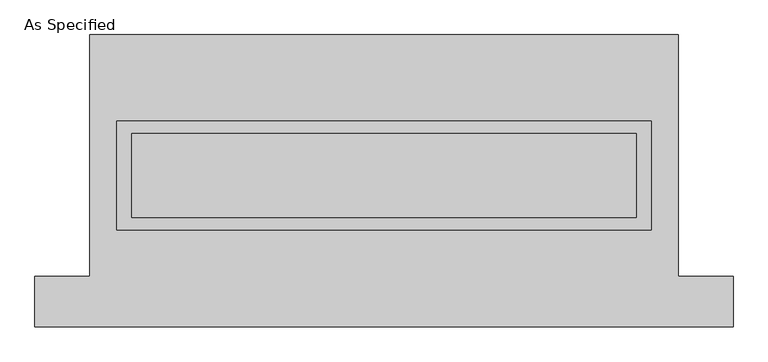
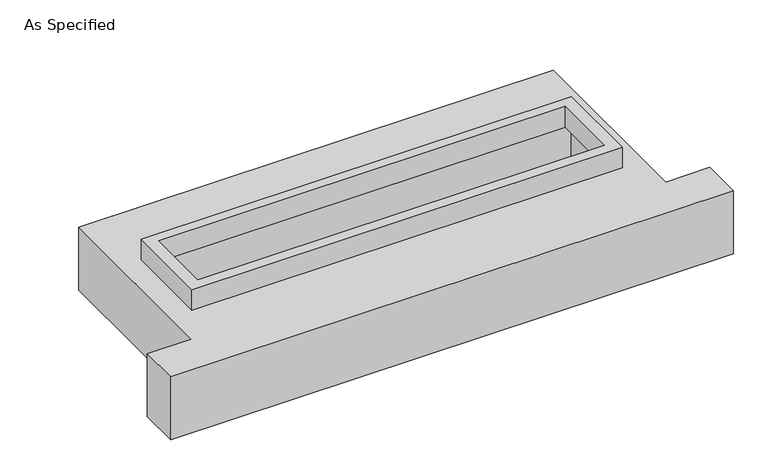
"""IFC4 building model written with IfcOpenShell, lengths in millimetres: proxy geometry, As Specified."""

from ifc_helpers import new_model, si_unit, frame, origin, place, context, project, spatial, polyline, outline, extrude, faceted_brep, source, transform, mapped, element, save


def as_specified_03e82c4a(model_context):
    return source(origin(), model_context, "Body", "SolidModel", [
        extrude(outline(polyline([(1612.9, 361.95), (1612.9, -298.45), (-1612.9, -298.45), (-1612.9, 361.95), (1612.9, 361.95)]), holes=[polyline([(1524.0, 285.75), (-1524.0, 285.75), (-1524.0, -222.25), (1524.0, -222.25), (1524.0, 285.75)])]), frame((0.0, 0.0, -25.4), z_axis=(0.0, 0.0, 1.0), x_axis=(1.0, 0.0, 0.0)), (0.0, 0.0, 1.0), 165.1),
        faceted_brep([(-1778.0, 882.65, -523.875), (1778.0, 882.65, -523.875), (1778.0, -577.85, -523.875), (2108.2, -577.85, -523.875), (2108.2, -882.65, -523.875), (-2108.2, -882.65, -523.875), (-2108.2, -577.85, -523.875), (-1778.0, -577.85, -523.875), (1778.0, 882.65, -25.4), (-1778.0, 882.65, -25.4), (-1778.0, -577.85, -25.4), (-2108.2, -577.85, -25.4), (-2108.2, -882.65, -25.4), (2108.2, -882.65, -25.4), (2108.2, -577.85, -25.4), (1778.0, -577.85, -25.4), (-1612.9, -298.45, -25.4), (-1612.9, 361.95, -25.4), (1612.9, 361.95, -25.4), (1612.9, -298.45, -25.4), (1612.9, 361.95, -498.475), (-1612.9, 361.95, -498.475), (-1612.9, -298.45, -498.475), (1612.9, -298.45, -498.475)], [[[0, 1, 2, 3, 4, 5, 6, 7]], [[8, 9, 10, 11, 12, 13, 14, 15], [16, 17, 18, 19]], [[1, 0, 9, 8]], [[9, 0, 7, 10]], [[1, 8, 15, 2]], [[20, 21, 22, 23]], [[22, 21, 17, 16]], [[21, 20, 18, 17]], [[20, 23, 19, 18]], [[23, 22, 16, 19]], [[5, 4, 13, 12]], [[3, 2, 15, 14]], [[4, 3, 14, 13]], [[7, 6, 11, 10]], [[6, 5, 12, 11]]]),
    ])


if __name__ == "__main__":
    model = new_model("IFC4")
    model_context = context("Model", 3, world=origin())
    ifc_project = project(units=[si_unit("LENGTHUNIT", "METRE", prefix="MILLI")], contexts=[model_context])
    site = spatial("IfcSite", under=ifc_project)
    building = spatial("IfcBuilding", under=site)
    placement = place(None, origin())
    as_specified_shape = as_specified_03e82c4a(model_context)
    element("IfcBuildingElementProxy", 1, Name="As Specified", ObjectType="As Specified", at=placement, inside=building, context=model_context, shape_type="MappedRepresentation", body=[
        mapped(as_specified_shape, transform((0.0, 0.0, 0.0), x_axis=(1.0, 0.0, 0.0), y_axis=(0.0, 1.0, 0.0), z_axis=(0.0, 0.0, 1.0))),
    ])
    save(model, "model.ifc")
